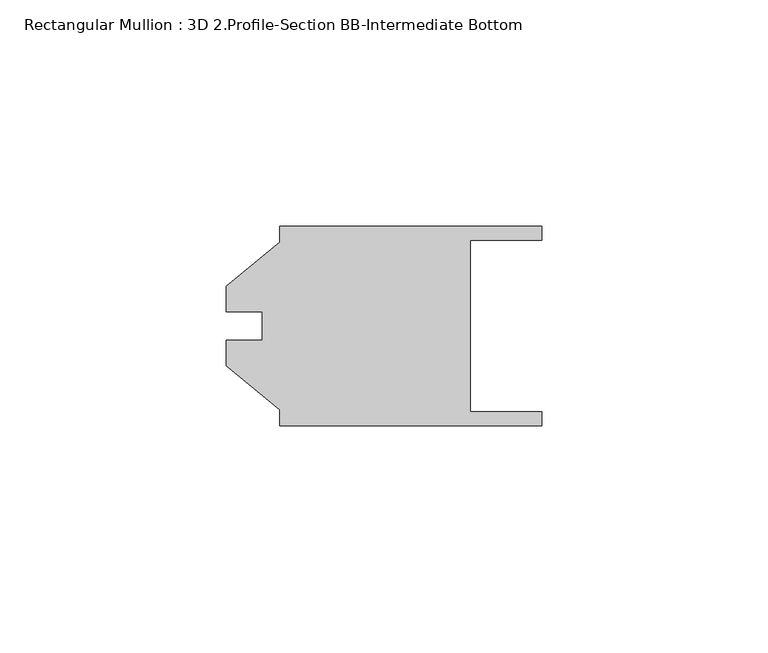
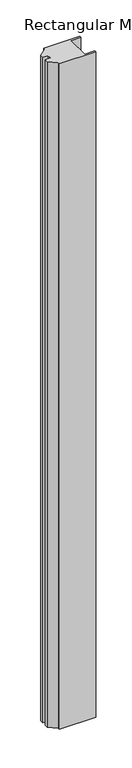
"""IFC4 building model written with IfcOpenShell, lengths in millimetres: member geometry, Rectangular Mullion : 3D 2.Profile-Section BB-Intermediate Bottom."""

from ifc_helpers import new_model, si_unit, frame, origin, place, context, project, spatial, polyline, outline, extrude, source, transform, mapped, element, save


def rectangular_mullion_3d_2_profile_section_bb_intermediate_d0c807db(model_context):
    return source(origin(), model_context, "Body", "SweptSolid", [
        extrude(outline(polyline([(-58.734325, 22.1082999), (-0.796925, 22.1082999), (-0.796925, 18.9332999), (-16.671925, 18.9332999), (-16.671925, -18.9127001), (-0.796925, -18.9127001), (-0.796925, -22.0877001), (-58.734325, -22.0877001), (-58.734325, -18.5085362), (-70.640575, -8.7400001), (-70.640575, -3.1647001), (-62.696725, -3.1647001), (-62.696725, 3.1852999), (-70.640575, 3.1852999), (-70.640575, 8.7605999), (-58.734325, 18.5291359), (-58.734325, 22.1082999)])), frame((0.0, 0.0, -1126.0440239), z_axis=(0.0, 0.0, 1.0), x_axis=(1.0, 0.0, 0.0)), (0.0, 0.0, 1.0), 1126.0440239),
    ])


if __name__ == "__main__":
    model = new_model("IFC4")
    model_context = context("Model", 3, world=origin())
    ifc_project = project(units=[si_unit("LENGTHUNIT", "METRE", prefix="MILLI")], contexts=[model_context])
    site = spatial("IfcSite", under=ifc_project)
    building = spatial("IfcBuilding", under=site)
    placement = place(None, origin())
    rectangular_mullion_3d_2_profile_section_bb_intermediate_shape = rectangular_mullion_3d_2_profile_section_bb_intermediate_d0c807db(model_context)
    element("IfcMember", 1, ObjectType="Rectangular Mullion : 3D 2.Profile-Section BB-Intermediate Bottom", at=placement, inside=building, context=model_context, shape_type="MappedRepresentation", body=[
        mapped(rectangular_mullion_3d_2_profile_section_bb_intermediate_shape, transform((0.0, 0.0, 0.0), x_axis=(1.0, 0.0, 0.0), y_axis=(0.0, 1.0, 0.0), z_axis=(0.0, 0.0, 1.0))),
    ])
    save(model, "model.ifc")
